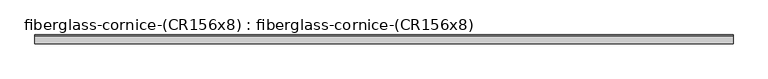
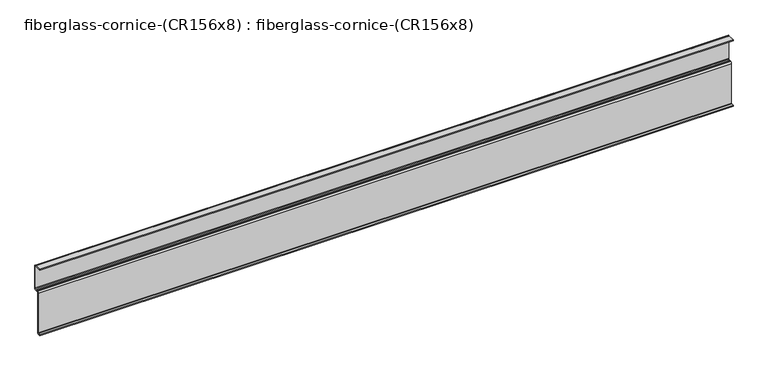
"""IFC4 building model written with IfcOpenShell, lengths in millimetres: furniture geometry, fiberglass-cornice-(CR156x8) : fiberglass-cornice-(CR156x8)."""

from ifc_helpers import new_model, si_unit, frame, origin, place, context, project, spatial, polyline, circle_curve, source, transform, mapped, element, save
from ifc_brep_helpers import plane_surface, cylinder_surface, revolved_surface, advanced_brep


def fiberglass_cornice_cr156x8_fiberglass_cornice_cr156x8_6606ffb7(model_context):
    return source(origin(), model_context, "Body", "AdvancedBrep", [
        advanced_brep(
        [(2012.9498044, 144.4626174, 330.1999904), (2012.9498044, 101.6, 330.1999904), (2012.9498044, 101.6, 325.436886), (2012.9498044, 144.4625055, 325.436886), (2012.9498044, 147.6375055, 322.261886), (2012.9498044, 147.6375055, 188.8027557), (2012.9498044, 144.4625055, 185.6277557), (2012.9498044, 135.6451123, 185.6277557), (2012.9498044, 132.9100589, 184.0652406), (2012.9498044, 130.1750055, 182.5027256), (2012.9498044, 127.0000004, 182.5027256), (2012.9498044, 119.0625004, 174.5652256), (2012.9498044, 119.0625004, -68.2625121), (2012.9498044, 115.8875004, -71.4375121), (2012.9498044, 101.854256, -71.4375121), (2012.9498044, 101.854256, -76.2000121), (2012.9498044, 115.8875004, -76.2000121), (2012.9498044, 123.8250004, -68.2625121), (2012.9498044, 123.8250004, 174.5652256), (2012.9498044, 127.0000004, 177.7402256), (2012.9498044, 138.1125055, 177.7402256), (2012.9498044, 138.1125055, 180.8652557), (2012.9498044, 141.2875055, 180.8652557), (2012.9498044, 141.2875055, 177.7402256), (2012.9498044, 144.4625055, 177.7402256), (2012.9498044, 152.4000055, 185.6777256), (2012.9498044, 152.4000055, 322.261886), (-2012.9498044, 144.4626174, 330.199386), (-2012.9498044, 152.4000055, 322.261886), (-2012.9498044, 152.4000055, 185.6777256), (-2012.9498044, 144.4625055, 177.7402256), (-2012.9498044, 141.2875055, 177.7402256), (-2012.9498044, 141.2875055, 180.8652557), (-2012.9498044, 138.1125055, 180.8652557), (-2012.9498044, 138.1125055, 177.7402256), (-2012.9498044, 127.0000004, 177.7402256), (-2012.9498044, 123.8250004, 174.5652256), (-2012.9498044, 123.8250004, -68.2625121), (-2012.9498044, 115.8875004, -76.2000121), (-2012.9498044, 101.854256, -76.2000121), (-2012.9498044, 101.854256, -71.4375121), (-2012.9498044, 115.8875004, -71.4375121), (-2012.9498044, 119.0625004, -68.2625121), (-2012.9498044, 119.0625004, 174.5652256), (-2012.9498044, 127.0000004, 182.5027256), (-2012.9498044, 130.1750055, 182.5027256), (-2012.9498044, 132.9100589, 184.0652406), (-2012.9498044, 135.6451123, 185.6277557), (-2012.9498044, 144.4625055, 185.6277557), (-2012.9498044, 147.6375055, 188.8027557), (-2012.9498044, 147.6375055, 322.261886), (-2012.9498044, 144.4625055, 325.436886), (-2012.9498044, 101.6, 325.436886), (-2012.9498044, 101.6, 330.1999904)],
        [
            (0, 1),
            (1, 2),
            (2, 3),
            (3, 4, circle_curve(frame((2012.9498044, 144.4625055, 322.261886), z_axis=(-1.0, 0.0, 0.0), x_axis=(0.0, 1.0, 0.0)), 3.175)),
            (4, 5),
            (5, 6, circle_curve(frame((2012.9498044, 144.4625055, 188.8027557), z_axis=(-1.0, 0.0, 0.0), x_axis=(0.0, 1.0, 0.0)), 3.175)),
            (6, 7),
            (7, 8, circle_curve(frame((2012.9498044, 135.6451123, 182.4527557), z_axis=(1.0, 0.0, 0.0), x_axis=(0.0, 1.0, 0.0)), 3.175)),
            (8, 9, circle_curve(frame((2012.9498044, 130.1750055, 185.6777256), z_axis=(-1.0, 0.0, 0.0), x_axis=(0.0, 1.0, 0.0)), 3.175)),
            (9, 10),
            (10, 11, circle_curve(frame((2012.9498044, 127.0000004, 174.5652256), z_axis=(1.0, 0.0, 0.0), x_axis=(0.0, 1.0, 0.0)), 7.9375)),
            (11, 12),
            (12, 13, circle_curve(frame((2012.9498044, 115.8875004, -68.2625121), z_axis=(-1.0, 0.0, 0.0), x_axis=(0.0, 1.0, 0.0)), 3.175)),
            (13, 14),
            (14, 15),
            (15, 16),
            (16, 17, circle_curve(frame((2012.9498044, 115.8875004, -68.2625121), z_axis=(1.0, 0.0, 0.0), x_axis=(0.0, 1.0, 0.0)), 7.9375)),
            (17, 18),
            (18, 19, circle_curve(frame((2012.9498044, 127.0000004, 174.5652256), z_axis=(-1.0, 0.0, 0.0), x_axis=(0.0, 1.0, 0.0)), 3.175)),
            (19, 20),
            (20, 21),
            (21, 22),
            (22, 23),
            (23, 24),
            (24, 25, circle_curve(frame((2012.9498044, 144.4625055, 185.6777256), z_axis=(1.0, 0.0, 0.0), x_axis=(0.0, 1.0, 0.0)), 7.9375)),
            (25, 26),
            (26, 0, circle_curve(frame((2012.9498044, 144.4625055, 322.261886), z_axis=(1.0, 0.0, 0.0), x_axis=(0.0, 1.0, 0.0)), 7.9375)),
            (27, 28, circle_curve(frame((-2012.9498044, 144.4625055, 322.261886), z_axis=(-1.0, 0.0, 0.0), x_axis=(0.0, 1.0, 0.0)), 7.9375)),
            (28, 29),
            (29, 30, circle_curve(frame((-2012.9498044, 144.4625055, 185.6777256), z_axis=(-1.0, 0.0, 0.0), x_axis=(0.0, 1.0, 0.0)), 7.9375)),
            (30, 31),
            (31, 32),
            (32, 33),
            (33, 34),
            (34, 35),
            (35, 36, circle_curve(frame((-2012.9498044, 127.0000004, 174.5652256), z_axis=(1.0, 0.0, 0.0), x_axis=(0.0, 1.0, 0.0)), 3.175)),
            (36, 37),
            (37, 38, circle_curve(frame((-2012.9498044, 115.8875004, -68.2625121), z_axis=(-1.0, 0.0, 0.0), x_axis=(0.0, 1.0, 0.0)), 7.9375)),
            (38, 39),
            (39, 40),
            (40, 41),
            (41, 42, circle_curve(frame((-2012.9498044, 115.8875004, -68.2625121), z_axis=(1.0, 0.0, 0.0), x_axis=(0.0, 1.0, 0.0)), 3.175)),
            (42, 43),
            (43, 44, circle_curve(frame((-2012.9498044, 127.0000004, 174.5652256), z_axis=(-1.0, 0.0, 0.0), x_axis=(0.0, 1.0, 0.0)), 7.9375)),
            (44, 45),
            (45, 46, circle_curve(frame((-2012.9498044, 130.1750055, 185.6777256), z_axis=(1.0, 0.0, 0.0), x_axis=(0.0, 1.0, 0.0)), 3.175)),
            (46, 47, circle_curve(frame((-2012.9498044, 135.6451123, 182.4527557), z_axis=(-1.0, 0.0, 0.0), x_axis=(0.0, 1.0, 0.0)), 3.175)),
            (47, 48),
            (48, 49, circle_curve(frame((-2012.9498044, 144.4625055, 188.8027557), z_axis=(1.0, 0.0, 0.0), x_axis=(0.0, 1.0, 0.0)), 3.175)),
            (49, 50),
            (50, 51, circle_curve(frame((-2012.9498044, 144.4625055, 322.261886), z_axis=(1.0, 0.0, 0.0), x_axis=(0.0, 1.0, 0.0)), 3.175)),
            (51, 52),
            (52, 53),
            (53, 27),
            (0, 27),
            (53, 1),
            (52, 2),
            (51, 3),
            (50, 4),
            (49, 5),
            (48, 6),
            (47, 7),
            (46, 8),
            (45, 9),
            (44, 10),
            (43, 11),
            (42, 12),
            (41, 13),
            (40, 14),
            (39, 15),
            (38, 16),
            (37, 17),
            (36, 18),
            (35, 19),
            (34, 20),
            (33, 21),
            (32, 22),
            (31, 23),
            (30, 24),
            (29, 25),
            (28, 26),
        ],
        [
            plane_surface(frame((2012.9498044, 101.6, 330.1999904), z_axis=(1.0, 0.0, 0.0), x_axis=(0.0, 0.0, 1.0))),
            plane_surface(frame((-2012.9498044, 101.6, 330.1999904), z_axis=(-1.0, 0.0, 0.0), x_axis=(0.0, 0.0, 1.0))),
            plane_surface(frame((2012.9498044, 144.4626174, 330.1999904), z_axis=(0.0, 0.0, 1.0), x_axis=(-1.0, 0.0, 0.0))),
            plane_surface(frame((2012.9498044, 101.6, 330.1999904), z_axis=(0.0, -1.0, 0.0), x_axis=(-1.0, 0.0, 0.0))),
            plane_surface(frame((2012.9498044, 101.6, 325.436886), z_axis=(0.0, 0.0, -1.0), x_axis=(-1.0, 0.0, 0.0))),
            revolved_surface(polyline([(-2012.9498044, 147.6375055, 322.261886), (2012.9498044, 147.6375055, 322.261886)]), (2012.9498044, 144.4625055, 322.261886), (-1.0, 0.0, 0.0)),
            plane_surface(frame((2012.9498044, 147.6375055, 322.261886), z_axis=(0.0, -1.0, 0.0), x_axis=(-1.0, 0.0, 0.0))),
            revolved_surface(polyline([(-2012.9498044, 147.6375055, 188.8027557), (2012.9498044, 147.6375055, 188.8027557)]), (2012.9498044, 144.4625055, 188.8027557), (-1.0, 0.0, 0.0)),
            plane_surface(frame((2012.9498044, 144.4625055, 185.6277557), z_axis=(0.0, 0.0, 1.0), x_axis=(-1.0, 0.0, 0.0))),
            cylinder_surface(frame((2012.9498044, 135.6451123, 182.4527557), z_axis=(1.0, 0.0, 0.0), x_axis=(0.0, 1.0, 0.0)), 3.175),
            revolved_surface(polyline([(-2012.9498044, 133.3500055, 185.6777256), (2012.9498044, 133.3500055, 185.6777256)]), (2012.9498044, 130.1750055, 185.6777256), (-1.0, 0.0, 0.0)),
            plane_surface(frame((2012.9498044, 130.1750055, 182.5027256), z_axis=(0.0, 0.0, 1.0), x_axis=(-1.0, 0.0, 0.0))),
            cylinder_surface(frame((2012.9498044, 127.0000004, 174.5652256), z_axis=(1.0, 0.0, 0.0), x_axis=(0.0, 1.0, 0.0)), 7.9375),
            plane_surface(frame((2012.9498044, 119.0625004, 174.5652256), z_axis=(0.0, -1.0, 0.0), x_axis=(-1.0, 0.0, 0.0))),
            revolved_surface(polyline([(-2012.9498044, 119.06250039999999, -68.2625121), (2012.9498044, 119.06250039999999, -68.2625121)]), (2012.9498044, 115.8875004, -68.2625121), (-1.0, 0.0, 0.0)),
            plane_surface(frame((2012.9498044, 115.8875004, -71.4375121), z_axis=(0.0, 0.0, 1.0), x_axis=(-1.0, 0.0, 0.0))),
            plane_surface(frame((2012.9498044, 101.854256, -71.4375121), z_axis=(0.0, -1.0, 0.0), x_axis=(-1.0, 0.0, 0.0))),
            plane_surface(frame((2012.9498044, 101.854256, -76.2000121), z_axis=(0.0, 0.0, -1.0), x_axis=(-1.0, 0.0, 0.0))),
            cylinder_surface(frame((2012.9498044, 115.8875004, -68.2625121), z_axis=(1.0, 0.0, 0.0), x_axis=(0.0, 1.0, 0.0)), 7.9375),
            plane_surface(frame((2012.9498044, 123.8250004, -68.2625121), z_axis=(0.0, 1.0, 0.0), x_axis=(-1.0, 0.0, 0.0))),
            revolved_surface(polyline([(-2012.9498044, 130.17500040000002, 174.5652256), (2012.9498044, 130.17500040000002, 174.5652256)]), (2012.9498044, 127.0000004, 174.5652256), (-1.0, 0.0, 0.0)),
            plane_surface(frame((2012.9498044, 127.0000004, 177.7402256), z_axis=(0.0, 0.0, -1.0), x_axis=(-1.0, 0.0, 0.0))),
            plane_surface(frame((2012.9498044, 138.1125055, 177.7402256), z_axis=(0.0, 1.0, 0.0), x_axis=(-1.0, 0.0, 0.0))),
            plane_surface(frame((2012.9498044, 138.1125055, 180.8652557), z_axis=(0.0, 0.0, -1.0), x_axis=(-1.0, 0.0, 0.0))),
            plane_surface(frame((2012.9498044, 141.2875055, 180.8652557), z_axis=(0.0, -1.0, 0.0), x_axis=(-1.0, 0.0, 0.0))),
            plane_surface(frame((2012.9498044, 141.2875055, 177.7402256), z_axis=(0.0, 0.0, -1.0), x_axis=(-1.0, 0.0, 0.0))),
            cylinder_surface(frame((2012.9498044, 144.4625055, 185.6777256), z_axis=(1.0, 0.0, 0.0), x_axis=(0.0, 1.0, 0.0)), 7.9375),
            plane_surface(frame((2012.9498044, 152.4000055, 185.6777256), z_axis=(0.0, 1.0, 0.0), x_axis=(-1.0, 0.0, 0.0))),
            cylinder_surface(frame((2012.9498044, 144.4625055, 322.261886), z_axis=(1.0, 0.0, 0.0), x_axis=(0.0, 1.0, 0.0)), 7.9375),
        ],
        [
            (0, [[1, 2, 3, 4, 5, 6, 7, 8, 9, 10, 11, 12, 13, 14, 15, 16, 17, 18, 19, 20, 21, 22, 23, 24, 25, 26, 27]]),
            (1, [[28, 29, 30, 31, 32, 33, 34, 35, 36, 37, 38, 39, 40, 41, 42, 43, 44, 45, 46, 47, 48, 49, 50, 51, 52, 53, 54]]),
            (2, [[-1, 55, -54, 56]]),
            (3, [[-2, -56, -53, 57]]),
            (4, [[-3, -57, -52, 58]]),
            (5, [[-4, -58, -51, 59]]),
            (6, [[-5, -59, -50, 60]]),
            (7, [[-6, -60, -49, 61]]),
            (8, [[-7, -61, -48, 62]]),
            (9, [[-8, -62, -47, 63]]),
            (10, [[-9, -63, -46, 64]]),
            (11, [[-10, -64, -45, 65]]),
            (12, [[-11, -65, -44, 66]]),
            (13, [[-12, -66, -43, 67]]),
            (14, [[-13, -67, -42, 68]]),
            (15, [[-14, -68, -41, 69]]),
            (16, [[-15, -69, -40, 70]]),
            (17, [[-16, -70, -39, 71]]),
            (18, [[-17, -71, -38, 72]]),
            (19, [[-18, -72, -37, 73]]),
            (20, [[-19, -73, -36, 74]]),
            (21, [[-20, -74, -35, 75]]),
            (22, [[-21, -75, -34, 76]]),
            (23, [[-22, -76, -33, 77]]),
            (24, [[-23, -77, -32, 78]]),
            (25, [[-24, -78, -31, 79]]),
            (26, [[-25, -79, -30, 80]]),
            (27, [[-26, -80, -29, 81]]),
            (28, [[-27, -81, -28, -55]]),
        ],
    ),
    ])


if __name__ == "__main__":
    model = new_model("IFC4")
    model_context = context("Model", 3, world=origin())
    ifc_project = project(units=[si_unit("LENGTHUNIT", "METRE", prefix="MILLI")], contexts=[model_context])
    site = spatial("IfcSite", under=ifc_project)
    building = spatial("IfcBuilding", under=site)
    placement = place(None, origin())
    fiberglass_cornice_cr156x8_fiberglass_cornice_cr156x8_shape = fiberglass_cornice_cr156x8_fiberglass_cornice_cr156x8_6606ffb7(model_context)
    element("IfcFurniture", 1, ObjectType="fiberglass-cornice-(CR156x8) : fiberglass-cornice-(CR156x8)", at=placement, inside=building, context=model_context, shape_type="MappedRepresentation", body=[
        mapped(fiberglass_cornice_cr156x8_fiberglass_cornice_cr156x8_shape, transform((0.0, 0.0, 0.0), x_axis=(1.0, 0.0, 0.0), y_axis=(0.0, 1.0, 0.0), z_axis=(0.0, 0.0, 1.0))),
    ])
    save(model, "model.ifc")
